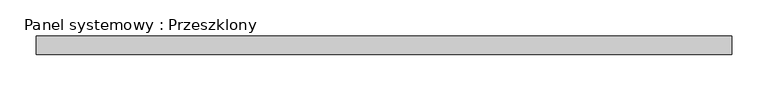
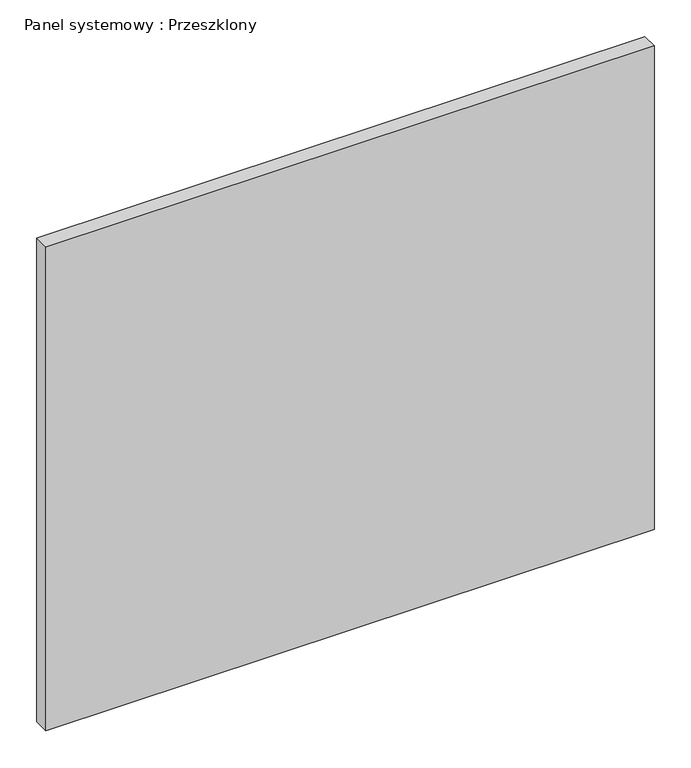
"""IFC4 building model written with IfcOpenShell, lengths in millimetres: plate geometry, Panel systemowy : Przeszklony."""

from ifc_helpers import new_model, si_unit, origin, origin_with_axes, place, context, project, spatial, polyline, outline, extrude, source, transform, mapped, element, save


def panel_systemowy_przeszklony_7aecd059(model_context):
    return source(origin(), model_context, "Body", "SweptSolid", [
        extrude(outline(polyline([(477.5, -12.5), (-477.5, -12.5), (-477.5, 12.5), (477.5, 12.5), (477.5, -12.5)])), origin_with_axes(), (0.0, 0.0, 1.0), 803.3333333),
    ])


if __name__ == "__main__":
    model = new_model("IFC4")
    model_context = context("Model", 3, world=origin())
    ifc_project = project(units=[si_unit("LENGTHUNIT", "METRE", prefix="MILLI")], contexts=[model_context])
    site = spatial("IfcSite", under=ifc_project)
    building = spatial("IfcBuilding", under=site)
    placement = place(None, origin())
    panel_systemowy_przeszklony_shape = panel_systemowy_przeszklony_7aecd059(model_context)
    element("IfcPlate", 1, ObjectType="Panel systemowy : Przeszklony", at=placement, inside=building, context=model_context, shape_type="MappedRepresentation", body=[
        mapped(panel_systemowy_przeszklony_shape, transform((0.0, 0.0, 0.0), x_axis=(1.0, 0.0, 0.0), y_axis=(0.0, 1.0, 0.0), z_axis=(0.0, 0.0, 1.0))),
    ])
    save(model, "model.ifc")
